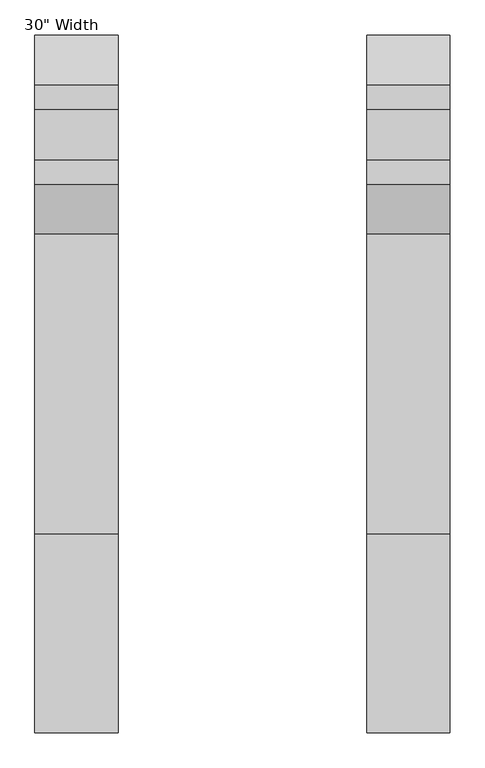
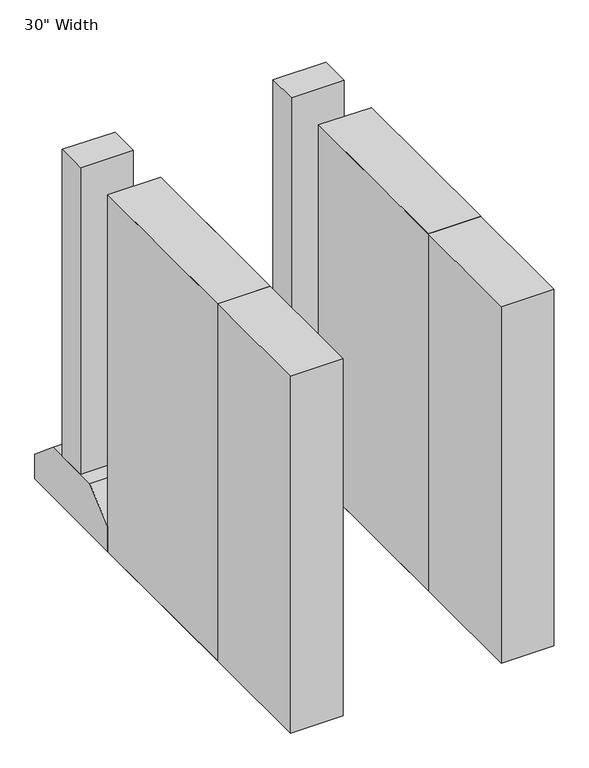
"""IFC4 building model written with IfcOpenShell, lengths in millimetres: proxy geometry."""

import ifcopenshell
import ifcopenshell.guid

model = None  # the IFC model being written
_history = None  # IfcOwnerHistory: only IFC2X3 demands one
_inside = {}  # id of a spatial element -> (the spatial element, [elements in it])
_under = {}  # id of a project, library or spatial element -> (it, [spatial elements below it])
_declared = {}  # id of a project -> (the project, [libraries it declares])
_typed = {}  # id of a type object -> (the type object, [elements of that type])
_made_of = {}  # id of a material, layer set ... -> (it, [elements and type objects made of it])


def new_model(schema):
    """Start an empty IFC model of exactly this schema.

    Asked for "IFC4X3", IfcOpenShell would pick the latest addendum, in which some entities
    have other attributes; the version numbers below select the first issue.
    IFC2X3 requires an IfcOwnerHistory on every rooted entity: one is made here for all.
    """
    global model, _history
    if schema == "IFC4X3":
        model = ifcopenshell.file(schema_version=(4, 3, 0, 0))
    else:
        model = ifcopenshell.file(schema=schema)
    _inside.clear()
    _under.clear()
    _declared.clear()
    _typed.clear()
    _made_of.clear()
    _history = None
    if model.schema == "IFC2X3":
        org = make("IfcOrganization", Name="unknown")
        user = make(
            "IfcPersonAndOrganization",
            ThePerson=make("IfcPerson", FamilyName="unknown"),
            TheOrganization=org,
        )
        app = make(
            "IfcApplication",
            ApplicationDeveloper=org,
            Version="unknown",
            ApplicationFullName="unknown",
            ApplicationIdentifier="unknown",
        )
        _history = make(
            "IfcOwnerHistory",
            OwningUser=user,
            OwningApplication=app,
            ChangeAction="ADDED",
            CreationDate=0,
        )
    return model


def make(cls, **values):
    """One entity of the class cls with the attributes given. An attribute that is None is left unset."""
    return model.create_entity(
        cls, **{name: value for name, value in values.items() if value is not None}
    )


def rooted(cls, **values):
    """An entity with a GlobalId (a new one), such as an element, a storey or a relation."""
    return make(cls, GlobalId=ifcopenshell.guid.new(), OwnerHistory=_history, **values)


def si_unit(unit_type, name, prefix=None):
    """IfcSIUnit, for example si_unit("LENGTHUNIT", "METRE", prefix="MILLI")."""
    return make("IfcSIUnit", UnitType=unit_type, Prefix=prefix, Name=name)


def assignment(units):
    """IfcUnitAssignment: the units of a project."""
    return None if units is None else make("IfcUnitAssignment", Units=units)


def point(xyz):
    """IfcCartesianPoint."""
    return None if xyz is None else make("IfcCartesianPoint", Coordinates=xyz)


def direction(xyz):
    """IfcDirection."""
    return None if xyz is None else make("IfcDirection", DirectionRatios=xyz)


def frame(location, z_axis=None, x_axis=None):
    """IfcAxis2Placement3D, a coordinate frame: its origin and axes. An axis left out is left unset."""
    return make(
        "IfcAxis2Placement3D",
        Location=point(location),
        Axis=direction(z_axis),
        RefDirection=direction(x_axis),
    )


def origin():
    """The frame at (0, 0, 0) with its axes left unset."""
    return frame((0.0, 0.0, 0.0))


def origin_with_axes():
    """The frame at (0, 0, 0) with the z axis (0, 0, 1) and the x axis (1, 0, 0) written out."""
    return frame((0.0, 0.0, 0.0), z_axis=(0.0, 0.0, 1.0), x_axis=(1.0, 0.0, 0.0))


def place(relative_to, where):
    """IfcLocalPlacement: puts the frame where relative to a parent placement (None: the world)."""
    return make(
        "IfcLocalPlacement", PlacementRelTo=relative_to, RelativePlacement=where
    )


def context(
    kind, dimensions, precision=None, world=None, true_north=None, identifier=None
):
    """IfcGeometricRepresentationContext, for example the 3D "Model" context."""
    return make(
        "IfcGeometricRepresentationContext",
        ContextIdentifier=identifier,
        ContextType=kind,
        CoordinateSpaceDimension=dimensions,
        Precision=precision,
        WorldCoordinateSystem=world,
        TrueNorth=true_north,
    )


def project(units=None, contexts=None):
    """IfcProject with its units and contexts."""
    return rooted(
        "IfcProject",
        Name="project",
        RepresentationContexts=contexts,
        UnitsInContext=assignment(units),
    )


def spatial(cls, under=None, at=None, **own):
    """A site, building, storey or space (cls), placed at a placement, below another one or the project."""
    s = rooted(cls, ObjectPlacement=at, **own)
    if under is not None:
        _under.setdefault(under.id(), (under, []))[1].append(s)
    return s


def polyline(points):
    """IfcPolyline through the points."""
    return make("IfcPolyline", Points=[point(p) for p in points])


def outline(outer, holes=None, kind="AREA"):
    """IfcArbitraryClosedProfileDef: a profile drawn as a closed curve; with holes, ...WithVoids."""
    if holes is None:
        return make("IfcArbitraryClosedProfileDef", ProfileType=kind, OuterCurve=outer)
    return make(
        "IfcArbitraryProfileDefWithVoids",
        ProfileType=kind,
        OuterCurve=outer,
        InnerCurves=holes,
    )


def extrude(swept, where, along, depth):
    """IfcExtrudedAreaSolid: the profile swept, set in the frame where, extruded along a direction by depth."""
    return make(
        "IfcExtrudedAreaSolid",
        SweptArea=swept,
        Position=where,
        ExtrudedDirection=direction(along),
        Depth=depth,
    )


def shape(context_of_items, identifier, shape_type, items):
    """IfcShapeRepresentation: the items that make up one representation, for example the "Body"."""
    return make(
        "IfcShapeRepresentation",
        ContextOfItems=context_of_items,
        RepresentationIdentifier=identifier,
        RepresentationType=shape_type,
        Items=items,
    )


def source(mapping_origin, context_of_items, identifier, shape_type, items):
    """IfcRepresentationMap: a shape defined once, which mapped items show again and again."""
    return make(
        "IfcRepresentationMap",
        MappingOrigin=mapping_origin,
        MappedRepresentation=shape(context_of_items, identifier, shape_type, items),
    )


def transform(
    local_origin,
    x_axis=None,
    y_axis=None,
    z_axis=None,
    scale=None,
    scale2=None,
    scale3=None,
    uniform=True,
):
    """IfcCartesianTransformationOperator3D, or its non-uniform kind. x_axis, y_axis, z_axis: its Axis1, 2, 3."""
    if uniform:
        return make(
            "IfcCartesianTransformationOperator3D",
            Axis1=direction(x_axis),
            Axis2=direction(y_axis),
            LocalOrigin=point(local_origin),
            Scale=scale,
            Axis3=direction(z_axis),
        )
    return make(
        "IfcCartesianTransformationOperator3DnonUniform",
        Axis1=direction(x_axis),
        Axis2=direction(y_axis),
        LocalOrigin=point(local_origin),
        Scale=scale,
        Axis3=direction(z_axis),
        Scale2=scale2,
        Scale3=scale3,
    )


def mapped(mapping_source, mapping_target):
    """IfcMappedItem: shows the shape of a source again, moved by a transform."""
    return make(
        "IfcMappedItem", MappingSource=mapping_source, MappingTarget=mapping_target
    )


def made_of(thing, what):
    """Note that an element or type object is made of a material, layer set ...; save() writes the relation."""
    if what is not None:
        _made_of.setdefault(what.id(), (what, []))[1].append(thing)
    return thing


def element(
    cls,
    number,
    at=None,
    inside=None,
    cuts=None,
    type_object=None,
    material=None,
    context=None,
    identifier="Body",
    shape_type=None,
    held_by="IfcProductDefinitionShape",
    body=None,
    shapes=None,
    **own,
):
    """One element of the class cls, such as IfcWall. Its Tag is "e" and its number.

    at: its placement. inside: the storey or other place that contains it. cuts: it is an
    opening in that element (IfcRelVoidsElement). A single representation is given by context,
    identifier, shape_type and body (its items); several are given by shapes. held_by: the class
    of the entity that holds the representations. save() writes the other relations.
    """
    e = rooted(cls, Tag="e%d" % number, ObjectPlacement=at, **own)
    if body is not None:
        shapes = [shape(context, identifier, shape_type, body)]
    if shapes is not None:
        e.Representation = make(held_by, Representations=shapes)
    if inside is not None:
        _inside.setdefault(inside.id(), (inside, []))[1].append(e)
    if cuts is not None:
        rooted(
            "IfcRelVoidsElement", RelatingBuildingElement=cuts, RelatedOpeningElement=e
        )
    if type_object is not None:
        _typed.setdefault(type_object.id(), (type_object, []))[1].append(e)
    return made_of(e, material)


def aggregate(whole, parts):
    """IfcRelAggregates: a whole, such as a stair, and the parts it consists of."""
    return rooted("IfcRelAggregates", RelatingObject=whole, RelatedObjects=parts)


def save(model, path):
    """Write the relations noted so far, then the file.

    IfcRelAggregates (storeys below a building ...), IfcRelContainedInSpatialStructure (elements
    in a storey), IfcRelDefinesByType, IfcRelAssociatesMaterial and IfcRelDeclares: one each for
    every whole, place, type object, material and project.
    """
    for whole, parts in _under.values():
        aggregate(whole, parts)
    for where, things in _inside.values():
        rooted(
            "IfcRelContainedInSpatialStructure",
            RelatedElements=things,
            RelatingStructure=where,
        )
    for kind, things in _typed.values():
        rooted("IfcRelDefinesByType", RelatedObjects=things, RelatingType=kind)
    for what, things in _made_of.values():
        rooted("IfcRelAssociatesMaterial", RelatedObjects=things, RelatingMaterial=what)
    for by, libraries in _declared.values():
        rooted("IfcRelDeclares", RelatingContext=by, RelatedDefinitions=libraries)
    model.write(path)


def proxy_6b18b34c(model_context):
    return source(origin(), model_context, "Body", "SweptSolid", [
        extrude(outline(polyline([(381.0, -1219.2), (381.0, -304.8), (635.0, -304.8), (635.0, -1219.2), (381.0, -1219.2)])), origin_with_axes(), (0.0, 0.0, 1.0), 1816.1),
        extrude(outline(polyline([(-381.0, -1219.2), (-635.0, -1219.2), (-635.0, -304.8), (-381.0, -304.8), (-381.0, -1219.2)])), origin_with_axes(), (0.0, 0.0, 1.0), 1816.1),
        extrude(outline(polyline([(381.0, -1828.8), (381.0, -304.8), (635.0, -304.8), (635.0, -1828.8), (381.0, -1828.8)])), origin_with_axes(), (0.0, 0.0, 1.0), 1816.1),
        extrude(outline(polyline([(-381.0, -1828.8), (-635.0, -1828.8), (-635.0, -304.8), (-381.0, -304.8), (-381.0, -1828.8)])), origin_with_axes(), (0.0, 0.0, 1.0), 1816.1),
        extrude(outline(polyline([(-381.0, 76.2), (-381.0, -76.2), (-635.0, -76.2), (-635.0, 76.2), (-381.0, 76.2)])), frame((0.0, 0.0, 254.0), z_axis=(0.0, 0.0, 1.0), x_axis=(1.0, 0.0, 0.0)), (0.0, 0.0, 1.0), 1562.1),
        extrude(outline(polyline([(-153.4472937, 254.0), (153.4472937, 254.0), (304.8, 127.0), (304.8, 0.0), (-304.8, 0.0), (-304.8, 127.0), (-153.4472937, 254.0)])), frame((-635.0, 0.0, 0.0), z_axis=(1.0, 0.0, 0.0), x_axis=(0.0, 1.0, 0.0)), (0.0, 0.0, 1.0), 254.0),
        extrude(outline(polyline([(-153.4472937, 254.0), (153.4472937, 254.0), (304.8, 127.0), (304.8, 0.0), (-304.8, 0.0), (-304.8, 127.0), (-153.4472937, 254.0)])), frame((381.0, 0.0, 0.0), z_axis=(1.0, 0.0, 0.0), x_axis=(0.0, 1.0, 0.0)), (0.0, 0.0, 1.0), 254.0),
        extrude(outline(polyline([(381.0, 76.2), (635.0, 76.2), (635.0, -76.2), (381.0, -76.2), (381.0, 76.2)])), frame((0.0, 0.0, 254.0), z_axis=(0.0, 0.0, 1.0), x_axis=(1.0, 0.0, 0.0)), (0.0, 0.0, 1.0), 1562.1),
    ])


if __name__ == "__main__":
    model = new_model("IFC4")
    model_context = context("Model", 3, world=origin())
    ifc_project = project(units=[si_unit("LENGTHUNIT", "METRE", prefix="MILLI")], contexts=[model_context])
    site = spatial("IfcSite", under=ifc_project)
    building = spatial("IfcBuilding", under=site)
    placement = place(None, origin())
    proxy_shape = proxy_6b18b34c(model_context)
    element("IfcBuildingElementProxy", 1, Name="30\" Width", ObjectType="30\" Width", at=placement, inside=building, context=model_context, shape_type="MappedRepresentation", body=[
        mapped(proxy_shape, transform((0.0, 0.0, 0.0), x_axis=(1.0, 0.0, 0.0), y_axis=(0.0, 1.0, 0.0), z_axis=(0.0, 0.0, 1.0))),
    ])
    save(model, "model.ifc")
